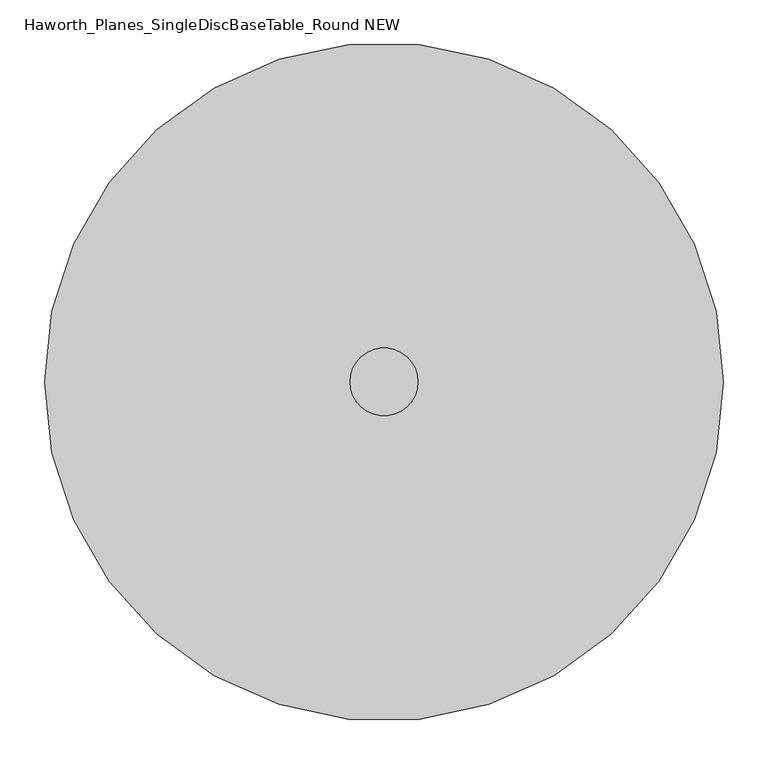
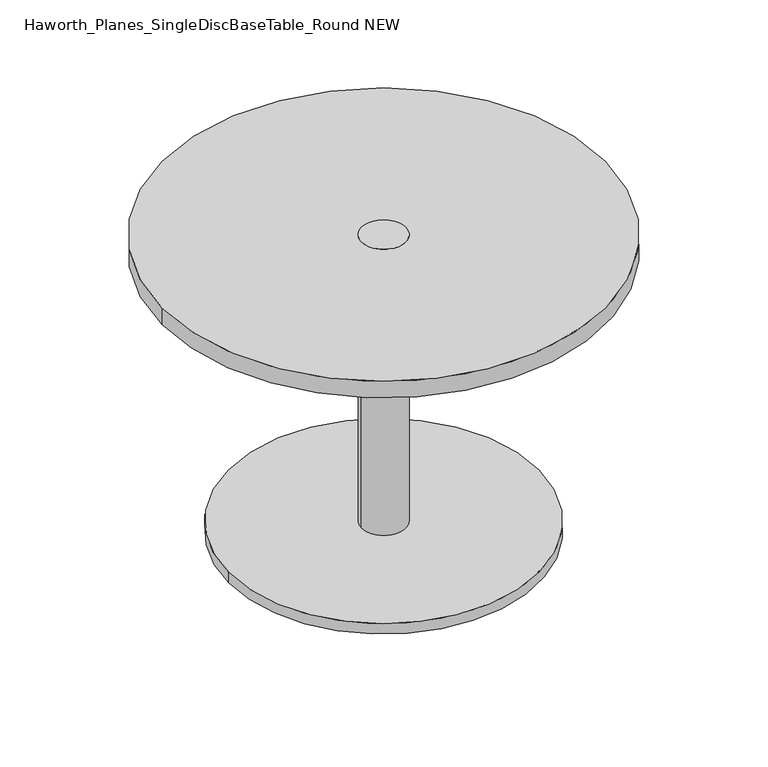
"""IFC4 building model written with IfcOpenShell, lengths in millimetres: furniture geometry, Haworth_Planes_SingleDiscBaseTable_Round NEW."""

from ifc_helpers import new_model, si_unit, point, frame, frame_2d, origin, origin_with_axes, place, context, project, spatial, circle_curve, trimmed, segment, composite_curve, outline, extrude, source, transform, mapped, element, save


def haworth_planes_singlediscbasetable_round_new_6e439592(model_context):
    return source(origin(), model_context, "Body", "SweptSolid", [
        extrude(outline(composite_curve([segment(trimmed(circle_curve(frame_2d((-381.0, -4.0299408)), 266.7), [point((-647.7, -4.0299408))], [point((-114.3, -4.0299408))], False, "CARTESIAN"), True, "CONTINUOUS"), segment(trimmed(circle_curve(frame_2d((-381.0, -4.0299408)), 266.7), [point((-114.3, -4.0299408))], [point((-647.7, -4.0299408))], False, "CARTESIAN"), True, "CONTINUOUS")], self_intersect=False)), origin_with_axes(), (0.0, 0.0, 1.0), 19.05),
        extrude(outline(composite_curve([segment(trimmed(circle_curve(frame_2d((-381.0, -4.0299408)), 38.1), [point((-419.1, -4.0299408))], [point((-342.9, -4.0299408))], False, "CARTESIAN"), True, "CONTINUOUS"), segment(trimmed(circle_curve(frame_2d((-381.0, -4.0299408)), 38.1), [point((-342.9, -4.0299408))], [point((-419.1, -4.0299408))], False, "CARTESIAN"), True, "CONTINUOUS")], self_intersect=False)), frame((0.0, 0.0, 19.05), z_axis=(0.0, 0.0, 1.0), x_axis=(1.0, 0.0, 0.0)), (0.0, 0.0, 1.0), 520.7),
        extrude(outline(composite_curve([segment(trimmed(circle_curve(frame_2d((-381.0, -4.0299408)), 381.0), [point((-762.0, -4.0299408))], [point((0.0, -4.0299408))], False, "CARTESIAN"), True, "CONTINUOUS"), segment(trimmed(circle_curve(frame_2d((-381.0, -4.0299408)), 381.0), [point((0.0, -4.0299408))], [point((-762.0, -4.0299408))], False, "CARTESIAN"), True, "CONTINUOUS")], self_intersect=False)), frame((0.0, 0.0, 509.5875), z_axis=(0.0, 0.0, 1.0), x_axis=(1.0, 0.0, 0.0)), (0.0, 0.0, 1.0), 30.1625),
    ])


if __name__ == "__main__":
    model = new_model("IFC4")
    model_context = context("Model", 3, world=origin())
    ifc_project = project(units=[si_unit("LENGTHUNIT", "METRE", prefix="MILLI")], contexts=[model_context])
    site = spatial("IfcSite", under=ifc_project)
    building = spatial("IfcBuilding", under=site)
    placement = place(None, origin())
    haworth_planes_singlediscbasetable_round_new_shape = haworth_planes_singlediscbasetable_round_new_6e439592(model_context)
    element("IfcFurniture", 1, ObjectType="Haworth_Planes_SingleDiscBaseTable_Round NEW", at=placement, inside=building, context=model_context, shape_type="MappedRepresentation", body=[
        mapped(haworth_planes_singlediscbasetable_round_new_shape, transform((0.0, 0.0, 0.0), x_axis=(1.0, 0.0, 0.0), y_axis=(0.0, 1.0, 0.0), z_axis=(0.0, 0.0, 1.0))),
    ])
    save(model, "model.ifc")
